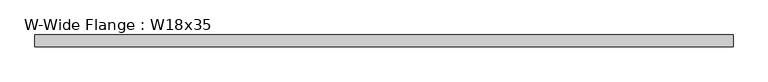
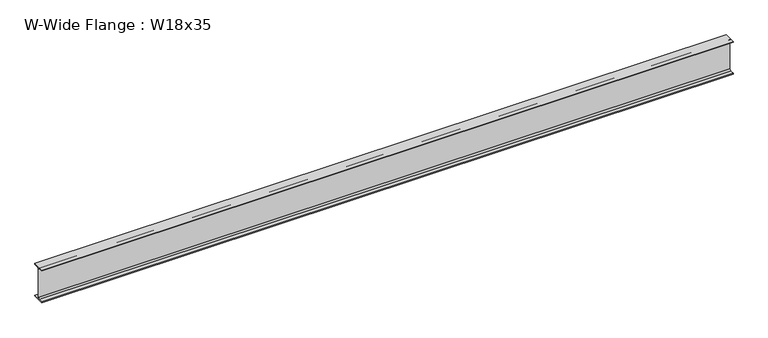
"""IFC4 building model written with IfcOpenShell, lengths in millimetres: beam geometry, W-Wide Flange : W18x35."""

from ifc_helpers import new_model, si_unit, point, frame, frame_2d, origin, place, context, project, spatial, polyline, circle_curve, trimmed, segment, composite_curve, outline, extrude, source, transform, mapped, element, save


def w_wide_flange_w18x35_095191f9(model_context):
    return source(origin(), model_context, "Body", "SweptSolid", [
        extrude(outline(composite_curve([segment(polyline([(76.2, -213.995), (76.2, -224.79), (-76.2, -224.79), (-76.2, -213.995), (-21.59, -213.995)]), True, "CONTINUOUS"), segment(trimmed(circle_curve(frame_2d((-21.59, -196.215)), 17.78), [point((-21.59, -213.995))], [point((-3.81, -196.215))], True, "CARTESIAN"), True, "CONTINUOUS"), segment(polyline([(-3.81, -196.215), (-3.81, 196.215)]), True, "CONTINUOUS"), segment(trimmed(circle_curve(frame_2d((-21.59, 196.215)), 17.78), [point((-3.81, 196.215))], [point((-21.59, 213.995))], True, "CARTESIAN"), True, "CONTINUOUS"), segment(polyline([(-21.59, 213.995), (-76.2, 213.995), (-76.2, 224.79), (76.2, 224.79), (76.2, 213.995), (21.59, 213.995)]), True, "CONTINUOUS"), segment(trimmed(circle_curve(frame_2d((21.59, 196.215)), 17.78), [point((21.59, 213.995))], [point((3.81, 196.215))], True, "CARTESIAN"), True, "CONTINUOUS"), segment(polyline([(3.81, 196.215), (3.81, -196.215)]), True, "CONTINUOUS"), segment(trimmed(circle_curve(frame_2d((21.59, -196.215)), 17.78), [point((3.81, -196.215))], [point((21.59, -213.995))], True, "CARTESIAN"), True, "CONTINUOUS"), segment(polyline([(21.59, -213.995), (76.2, -213.995)]), True, "CONTINUOUS")], self_intersect=False)), frame((-4509.77, 0.0, 0.0), z_axis=(1.0, 0.0, 0.0), x_axis=(0.0, 1.0, 0.0)), (0.0, 0.0, 1.0), 9019.5399702),
    ])


if __name__ == "__main__":
    model = new_model("IFC4")
    model_context = context("Model", 3, world=origin())
    ifc_project = project(units=[si_unit("LENGTHUNIT", "METRE", prefix="MILLI")], contexts=[model_context])
    site = spatial("IfcSite", under=ifc_project)
    building = spatial("IfcBuilding", under=site)
    placement = place(None, origin())
    w_wide_flange_w18x35_shape = w_wide_flange_w18x35_095191f9(model_context)
    element("IfcBeam", 1, ObjectType="W-Wide Flange : W18x35", at=placement, inside=building, context=model_context, shape_type="MappedRepresentation", body=[
        mapped(w_wide_flange_w18x35_shape, transform((0.0, 0.0, 0.0), x_axis=(1.0, 0.0, 0.0), y_axis=(0.0, 1.0, 0.0), z_axis=(0.0, 0.0, 1.0))),
    ])
    save(model, "model.ifc")
